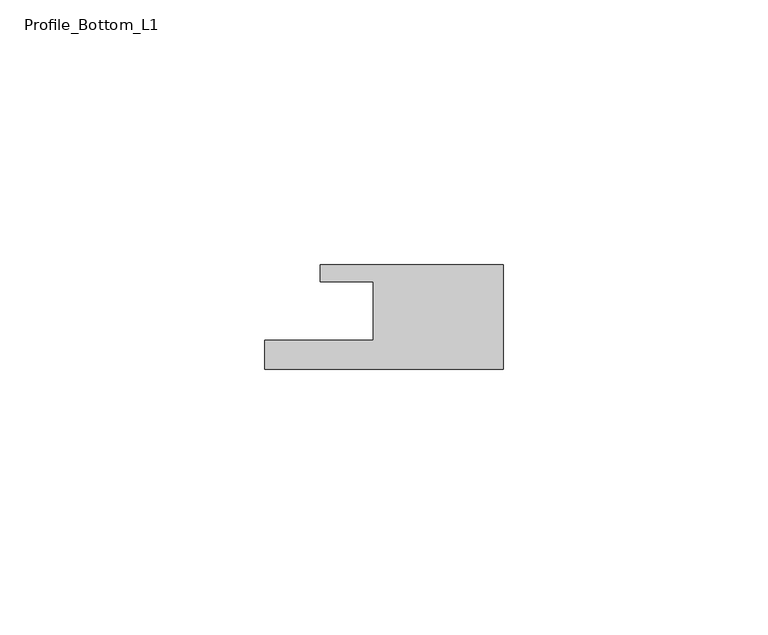
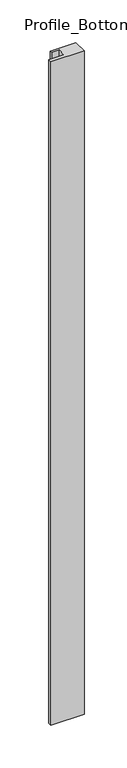
"""IFC4 building model written with IfcOpenShell, lengths in millimetres: member geometry, Profile_Bottom_L1."""

from ifc_helpers import new_model, si_unit, frame, origin, place, context, project, spatial, polyline, outline, extrude, source, transform, mapped, element, save


def profile_bottom_l1_a3104179(model_context):
    return source(origin(), model_context, "Body", "SweptSolid", [
        extrude(outline(polyline([(-45.0, -5.5), (-24.5, -5.5), (-24.5, 5.5), (-34.5, 5.5), (-34.5, 8.7), (0.0, 8.7), (0.0, -11.0), (-45.0, -11.0), (-45.0, -5.5)])), frame((0.0, 0.0, -951.0), z_axis=(0.0, 0.0, 1.0), x_axis=(1.0, 0.0, 0.0)), (0.0, 0.0, 1.0), 951.0),
    ])


if __name__ == "__main__":
    model = new_model("IFC4")
    model_context = context("Model", 3, world=origin())
    ifc_project = project(units=[si_unit("LENGTHUNIT", "METRE", prefix="MILLI")], contexts=[model_context])
    site = spatial("IfcSite", under=ifc_project)
    building = spatial("IfcBuilding", under=site)
    placement = place(None, origin())
    profile_bottom_l1_shape = profile_bottom_l1_a3104179(model_context)
    element("IfcMember", 1, ObjectType="Profile_Bottom_L1", at=placement, inside=building, context=model_context, shape_type="MappedRepresentation", body=[
        mapped(profile_bottom_l1_shape, transform((0.0, 0.0, 0.0), x_axis=(1.0, 0.0, 0.0), y_axis=(0.0, 1.0, 0.0), z_axis=(0.0, 0.0, 1.0))),
    ])
    save(model, "model.ifc")
